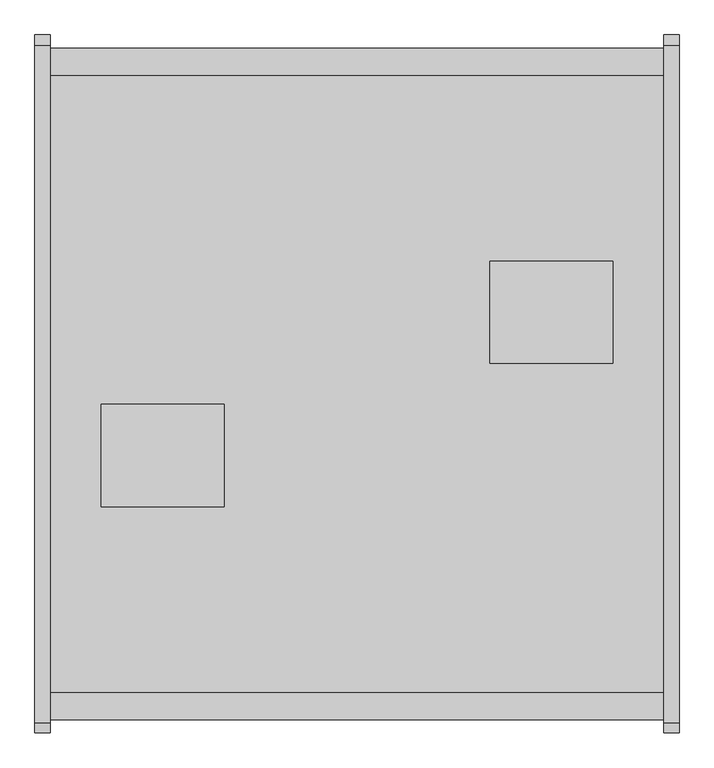
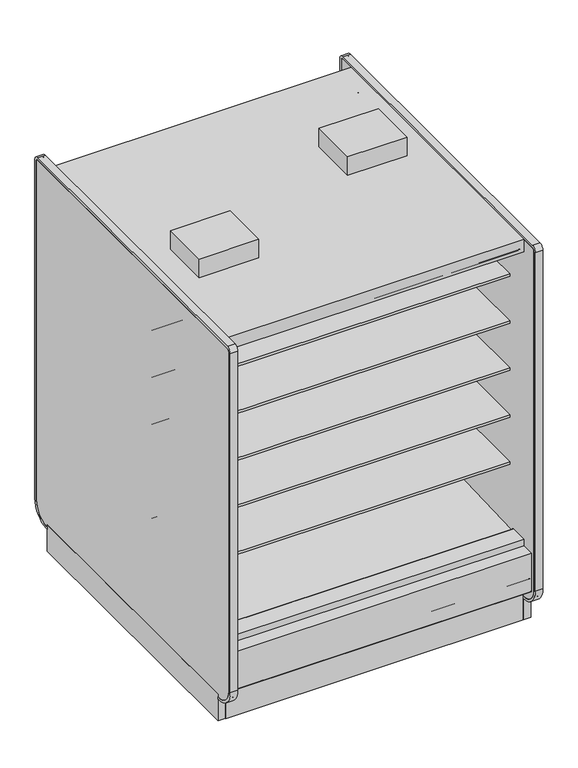
"""IFC4 building model written with IfcOpenShell, lengths in millimetres: proxy geometry."""

from ifc_helpers import new_model, si_unit, point, frame, frame_2d, origin, origin_with_axes, place, context, project, spatial, polyline, circle_curve, trimmed, segment, composite_curve, outline, extrude, source, transform, mapped, element, save
from ifc_brep_helpers import plane_surface, revolved_surface, advanced_brep


def mechanical_equipment_a14878ee(model_context):
    return source(origin(), model_context, "Body", "SolidModel", [
        extrude(outline(polyline([(0.0, -55.2269619), (0.0, 0.0), (1524.0, 0.0), (1524.0, -55.2269619), (0.0, -55.2269619)])), frame((1524.0, 269.4010876, 1960.5227388), z_axis=(0.0, -0.08121412725315148, 0.9966966767951566), x_axis=(-1.0, 0.0, 0.0)), (0.0, 0.0, 1.0), 9.7968943),
        extrude(outline(polyline([(0.0, -55.226962), (0.0, 0.0), (1524.0, 0.0), (1524.0, -55.226962), (0.0, -55.226962)])), frame((1524.0, -1070.8468716, 1965.0079483), z_axis=(0.0, 0.08121412725315148, 0.9966966767951566), x_axis=(-1.0, 0.0, 0.0)), (0.0, 0.0, 1.0), 9.7968943),
        extrude(outline(polyline([(-1113.7914467, 0.0), (-1132.0256273, 0.0), (-1132.0256273, 208.2950835), (-1113.7914467, 192.9947894), (-1113.7914467, 0.0)])), frame((0.0, 0.0, 0.0), z_axis=(1.0, 0.0, 0.0), x_axis=(0.0, 1.0, 0.0)), (0.0, 0.0, 1.0), 1524.0),
        extrude(outline(polyline([(367.3901921, 0.0), (367.3901921, 192.9947894), (385.6243727, 208.2950835), (385.6243727, 0.0), (367.3901921, 0.0)])), frame((0.0, 0.0, 0.0), z_axis=(1.0, 0.0, 0.0), x_axis=(0.0, 1.0, 0.0)), (0.0, 0.0, 1.0), 1524.0),
        extrude(outline(composite_curve([segment(polyline([(-292.5492106, 1191.008004), (-292.5492106, 1291.8182795), (266.2507894, 1291.8182795), (266.2507894, 1278.3245295), (145.7947875, 1278.3245295), (145.7947875, 1274.0402031), (-193.6128858, 1241.429713)]), True, "CONTINUOUS"), segment(trimmed(circle_curve(frame_2d((-186.7598764, 1178.3005893)), 63.5), [point((-193.6128858, 1241.429713))], [point((-226.8243495, 1227.5660741))], True, "CARTESIAN"), True, "CONTINUOUS"), segment(polyline([(-226.8243495, 1227.5660741), (-265.0460501, 1196.4828055)]), True, "CONTINUOUS"), segment(trimmed(circle_curve(frame_2d((-280.9533727, 1215.8477147)), 25.0607786), [point((-265.0460501, 1196.4828055))], [point((-281.4413184, 1190.7916869))], False, "CARTESIAN"), True, "CONTINUOUS"), segment(polyline([(-281.4413184, 1190.7916869), (-292.5492106, 1191.008004)]), True, "CONTINUOUS")], self_intersect=False)), frame((0.0, 0.0, 0.0), z_axis=(1.0, 0.0, 0.0), x_axis=(0.0, 1.0, 0.0)), (0.0, 0.0, 1.0), 1524.0),
        extrude(outline(composite_curve([segment(polyline([(-292.5492106, 1699.008004), (-292.5492106, 1799.8182795), (266.2507894, 1799.8182795), (266.2507894, 1786.3245295), (145.7947875, 1786.3245295), (145.7947875, 1782.0402031), (-193.6128858, 1749.429713)]), True, "CONTINUOUS"), segment(trimmed(circle_curve(frame_2d((-186.7598764, 1686.3005893)), 63.5), [point((-193.6128858, 1749.429713))], [point((-226.8243495, 1735.5660741))], True, "CARTESIAN"), True, "CONTINUOUS"), segment(polyline([(-226.8243495, 1735.5660741), (-265.0460501, 1704.4828055)]), True, "CONTINUOUS"), segment(trimmed(circle_curve(frame_2d((-280.9533727, 1723.8477147)), 25.0607786), [point((-265.0460501, 1704.4828055))], [point((-281.4413184, 1698.7916869))], False, "CARTESIAN"), True, "CONTINUOUS"), segment(polyline([(-281.4413184, 1698.7916869), (-292.5492106, 1699.008004)]), True, "CONTINUOUS")], self_intersect=False)), frame((0.0, 0.0, 0.0), z_axis=(1.0, 0.0, 0.0), x_axis=(0.0, 1.0, 0.0)), (0.0, 0.0, 1.0), 1524.0),
        extrude(outline(composite_curve([segment(polyline([(-292.5492106, 937.4028663), (-292.5492106, 1038.2131418), (266.2507894, 1038.2131418), (266.2507894, 1024.7193918), (145.7947875, 1024.7193918), (145.7947875, 1020.4350654), (-193.6128858, 987.8245753)]), True, "CONTINUOUS"), segment(trimmed(circle_curve(frame_2d((-186.7598764, 924.6954515)), 63.5), [point((-193.6128858, 987.8245753))], [point((-226.8243495, 973.9609363))], True, "CARTESIAN"), True, "CONTINUOUS"), segment(polyline([(-226.8243495, 973.9609363), (-265.0460501, 942.8776678)]), True, "CONTINUOUS"), segment(trimmed(circle_curve(frame_2d((-280.9533727, 962.242577)), 25.0607786), [point((-265.0460501, 942.8776678))], [point((-281.4413184, 937.1865491))], False, "CARTESIAN"), True, "CONTINUOUS"), segment(polyline([(-281.4413184, 937.1865491), (-292.5492106, 937.4028663)]), True, "CONTINUOUS")], self_intersect=False)), frame((0.0, 0.0, 0.0), z_axis=(1.0, 0.0, 0.0), x_axis=(0.0, 1.0, 0.0)), (0.0, 0.0, 1.0), 1524.0),
        extrude(outline(composite_curve([segment(polyline([(-292.5492106, 1445.008004), (-292.5492106, 1545.8182795), (266.2507894, 1545.8182795), (266.2507894, 1532.3245295), (145.7947875, 1532.3245295), (145.7947875, 1528.0402031), (-193.6128858, 1495.429713)]), True, "CONTINUOUS"), segment(trimmed(circle_curve(frame_2d((-186.7598764, 1432.3005893)), 63.5), [point((-193.6128858, 1495.429713))], [point((-226.8243495, 1481.5660741))], True, "CARTESIAN"), True, "CONTINUOUS"), segment(polyline([(-226.8243495, 1481.5660741), (-265.0460501, 1450.4828055)]), True, "CONTINUOUS"), segment(trimmed(circle_curve(frame_2d((-280.9533727, 1469.8477147)), 25.0607786), [point((-265.0460501, 1450.4828055))], [point((-281.4413184, 1444.7916869))], False, "CARTESIAN"), True, "CONTINUOUS"), segment(polyline([(-281.4413184, 1444.7916869), (-292.5492106, 1445.008004)]), True, "CONTINUOUS")], self_intersect=False)), frame((0.0, 0.0, 0.0), z_axis=(1.0, 0.0, 0.0), x_axis=(0.0, 1.0, 0.0)), (0.0, 0.0, 1.0), 1524.0),
        extrude(outline(composite_curve([segment(polyline([(-292.5492106, 683.008004), (-292.5492106, 783.8182795), (266.2507894, 783.8182795), (266.2507894, 770.3245295), (145.7947875, 770.3245295), (145.7947875, 766.0402031), (-193.6128858, 733.429713)]), True, "CONTINUOUS"), segment(trimmed(circle_curve(frame_2d((-186.7598764, 670.3005893)), 63.5), [point((-193.6128858, 733.429713))], [point((-226.8243495, 719.5660741))], True, "CARTESIAN"), True, "CONTINUOUS"), segment(polyline([(-226.8243495, 719.5660741), (-265.0460501, 688.4828055)]), True, "CONTINUOUS"), segment(trimmed(circle_curve(frame_2d((-280.9533727, 707.8477147)), 25.0607786), [point((-265.0460501, 688.4828055))], [point((-281.4413184, 682.7916869))], False, "CARTESIAN"), True, "CONTINUOUS"), segment(polyline([(-281.4413184, 682.7916869), (-292.5492106, 683.008004)]), True, "CONTINUOUS")], self_intersect=False)), frame((0.0, 0.0, 0.0), z_axis=(1.0, 0.0, 0.0), x_axis=(0.0, 1.0, 0.0)), (0.0, 0.0, 1.0), 1524.0),
        extrude(outline(composite_curve([segment(polyline([(-453.852044, 1191.008004), (-464.9599362, 1190.7916869)]), True, "CONTINUOUS"), segment(trimmed(circle_curve(frame_2d((-465.4478819, 1215.8477147)), 25.0607786), [point((-464.9599362, 1190.7916869))], [point((-481.3552045, 1196.4828055))], False, "CARTESIAN"), True, "CONTINUOUS"), segment(polyline([(-481.3552045, 1196.4828055), (-519.5769051, 1227.5660741)]), True, "CONTINUOUS"), segment(trimmed(circle_curve(frame_2d((-559.6413782, 1178.3005893)), 63.5), [point((-519.5769051, 1227.5660741))], [point((-552.7883688, 1241.429713))], True, "CARTESIAN"), True, "CONTINUOUS"), segment(polyline([(-552.7883688, 1241.429713), (-892.1960421, 1274.0402031), (-892.1960421, 1278.3245295), (-1012.652044, 1278.3245295), (-1012.652044, 1291.8182795), (-453.852044, 1291.8182795), (-453.852044, 1191.008004)]), True, "CONTINUOUS")], self_intersect=False)), frame((0.0, 0.0, 0.0), z_axis=(1.0, 0.0, 0.0), x_axis=(0.0, 1.0, 0.0)), (0.0, 0.0, 1.0), 1524.0),
        extrude(outline(composite_curve([segment(polyline([(-453.852044, 1699.008004), (-464.9599362, 1698.7916869)]), True, "CONTINUOUS"), segment(trimmed(circle_curve(frame_2d((-465.4478819, 1723.8477147)), 25.0607786), [point((-464.9599362, 1698.7916869))], [point((-481.3552045, 1704.4828055))], False, "CARTESIAN"), True, "CONTINUOUS"), segment(polyline([(-481.3552045, 1704.4828055), (-519.5769051, 1735.5660741)]), True, "CONTINUOUS"), segment(trimmed(circle_curve(frame_2d((-559.6413782, 1686.3005893)), 63.5), [point((-519.5769051, 1735.5660741))], [point((-552.7883688, 1749.429713))], True, "CARTESIAN"), True, "CONTINUOUS"), segment(polyline([(-552.7883688, 1749.429713), (-892.1960421, 1782.0402031), (-892.1960421, 1786.3245295), (-1012.652044, 1786.3245295), (-1012.652044, 1799.8182795), (-453.852044, 1799.8182795), (-453.852044, 1699.008004)]), True, "CONTINUOUS")], self_intersect=False)), frame((0.0, 0.0, 0.0), z_axis=(1.0, 0.0, 0.0), x_axis=(0.0, 1.0, 0.0)), (0.0, 0.0, 1.0), 1524.0),
        extrude(outline(composite_curve([segment(polyline([(-453.852044, 937.4028663), (-464.9599362, 937.1865491)]), True, "CONTINUOUS"), segment(trimmed(circle_curve(frame_2d((-465.4478819, 962.242577)), 25.0607786), [point((-464.9599362, 937.1865491))], [point((-481.3552045, 942.8776678))], False, "CARTESIAN"), True, "CONTINUOUS"), segment(polyline([(-481.3552045, 942.8776678), (-519.5769051, 973.9609363)]), True, "CONTINUOUS"), segment(trimmed(circle_curve(frame_2d((-559.6413782, 924.6954515)), 63.5), [point((-519.5769051, 973.9609363))], [point((-552.7883688, 987.8245753))], True, "CARTESIAN"), True, "CONTINUOUS"), segment(polyline([(-552.7883688, 987.8245753), (-892.1960421, 1020.4350654), (-892.1960421, 1024.7193918), (-1012.652044, 1024.7193918), (-1012.652044, 1038.2131418), (-453.852044, 1038.2131418), (-453.852044, 937.4028663)]), True, "CONTINUOUS")], self_intersect=False)), frame((0.0, 0.0, 0.0), z_axis=(1.0, 0.0, 0.0), x_axis=(0.0, 1.0, 0.0)), (0.0, 0.0, 1.0), 1524.0),
        extrude(outline(composite_curve([segment(polyline([(-453.852044, 1445.008004), (-464.9599362, 1444.7916869)]), True, "CONTINUOUS"), segment(trimmed(circle_curve(frame_2d((-465.4478819, 1469.8477147)), 25.0607786), [point((-464.9599362, 1444.7916869))], [point((-481.3552045, 1450.4828055))], False, "CARTESIAN"), True, "CONTINUOUS"), segment(polyline([(-481.3552045, 1450.4828055), (-519.5769051, 1481.5660741)]), True, "CONTINUOUS"), segment(trimmed(circle_curve(frame_2d((-559.6413782, 1432.3005893)), 63.5), [point((-519.5769051, 1481.5660741))], [point((-552.7883688, 1495.429713))], True, "CARTESIAN"), True, "CONTINUOUS"), segment(polyline([(-552.7883688, 1495.429713), (-892.1960421, 1528.0402031), (-892.1960421, 1532.3245295), (-1012.652044, 1532.3245295), (-1012.652044, 1545.8182795), (-453.852044, 1545.8182795), (-453.852044, 1445.008004)]), True, "CONTINUOUS")], self_intersect=False)), frame((0.0, 0.0, 0.0), z_axis=(1.0, 0.0, 0.0), x_axis=(0.0, 1.0, 0.0)), (0.0, 0.0, 1.0), 1524.0),
        extrude(outline(polyline([(127.0, -678.0076294), (127.0, -424.0076294), (431.8, -424.0076294), (431.8, -678.0076294), (127.0, -678.0076294)])), frame((0.0, 0.0, 2064.6129579), z_axis=(0.0, 0.0, 1.0), x_axis=(1.0, 0.0, 0.0)), (0.0, 0.0, 1.0), 100.3101563),
        extrude(outline(polyline([(1397.0, -68.4076294), (1397.0, -322.4076294), (1092.2, -322.4076294), (1092.2, -68.4076294), (1397.0, -68.4076294)])), frame((0.0, 0.0, 2064.6129579), z_axis=(0.0, 0.0, 1.0), x_axis=(1.0, 0.0, 0.0)), (0.0, 0.0, 1.0), 100.3101563),
        extrude(outline(composite_curve([segment(polyline([(-113.5046773, 1969.4201079), (-292.5492106, 1969.4201079), (-292.5492106, 445.9092331), (-344.0537782, 445.9092331), (-344.0537782, 1994.8201079), (357.6691327, 1994.8201079), (357.6691327, 1988.6654182)]), True, "CONTINUOUS"), segment(trimmed(circle_curve(frame_2d((355.1291327, 1988.6654182)), 2.54), [point((357.6691327, 1988.6654182))], [point((355.1291327, 1986.1254182))], False, "CARTESIAN"), True, "CONTINUOUS"), segment(polyline([(355.1291327, 1986.1254182), (341.1591327, 1986.1254182)]), True, "CONTINUOUS"), segment(trimmed(circle_curve(frame_2d((341.1591327, 1983.5854182)), 2.54), [point((341.1591327, 1986.1254182))], [point((338.6191327, 1983.5854182))], True, "CARTESIAN"), True, "CONTINUOUS"), segment(polyline([(338.6191327, 1983.5854182), (338.6191327, 1967.9723079)]), True, "CONTINUOUS"), segment(trimmed(circle_curve(frame_2d((336.0791327, 1967.9723079)), 2.54), [point((338.6191327, 1967.9723079))], [point((336.0791327, 1965.4323079))], False, "CARTESIAN"), True, "CONTINUOUS"), segment(polyline([(336.0791327, 1965.4323079), (326.8589327, 1965.4323079)]), True, "CONTINUOUS"), segment(trimmed(circle_curve(frame_2d((326.8589327, 1967.9723079)), 2.54), [point((326.8589327, 1965.4323079))], [point((324.3189327, 1967.9723079))], False, "CARTESIAN"), True, "CONTINUOUS"), segment(polyline([(324.3189327, 1967.9723079), (324.3189327, 1975.6233702), (268.3517007, 1971.0629758), (268.3793925, 1969.4201079), (-113.5046773, 1969.4201079)]), True, "CONTINUOUS")], self_intersect=False)), frame((0.0, 0.0, 0.0), z_axis=(1.0, 0.0, 0.0), x_axis=(0.0, 1.0, 0.0)), (0.0, 0.0, 1.0), 1524.0),
        extrude(outline(composite_curve([segment(polyline([(-292.5492106, 445.9092331), (298.0007894, 423.8521774), (298.0007894, 439.1279)]), True, "CONTINUOUS"), segment(trimmed(circle_curve(frame_2d((300.0581894, 439.1279)), 2.0574), [point((298.0007894, 439.1279))], [point((300.0581894, 441.1853))], False, "CARTESIAN"), True, "CONTINUOUS"), segment(polyline([(300.0581894, 441.1853), (392.3576928, 441.1853), (392.3576928, 284.6079278), (278.9642261, 189.4595117), (263.4186894, 190.0023738), (218.0664947, 157.1934642), (153.5641842, 159.4459345), (113.4809582, 192.9404113), (-344.0537782, 220.4377575), (-344.0537782, 445.9092331), (-292.5492106, 445.9092331)]), True, "CONTINUOUS")], self_intersect=False)), frame((0.0, 0.0, 0.0), z_axis=(1.0, 0.0, 0.0), x_axis=(0.0, 1.0, 0.0)), (0.0, 0.0, 1.0), 1524.0),
        extrude(outline(composite_curve([segment(polyline([(-453.852044, 683.008004), (-464.9599362, 682.7916869)]), True, "CONTINUOUS"), segment(trimmed(circle_curve(frame_2d((-465.4478819, 707.8477147)), 25.0607786), [point((-464.9599362, 682.7916869))], [point((-481.3552045, 688.4828055))], False, "CARTESIAN"), True, "CONTINUOUS"), segment(polyline([(-481.3552045, 688.4828055), (-519.5769051, 719.5660741)]), True, "CONTINUOUS"), segment(trimmed(circle_curve(frame_2d((-559.6413782, 670.3005893)), 63.5), [point((-519.5769051, 719.5660741))], [point((-552.7883688, 733.429713))], True, "CARTESIAN"), True, "CONTINUOUS"), segment(polyline([(-552.7883688, 733.429713), (-892.1960421, 766.0402031), (-892.1960421, 770.3245295), (-1012.652044, 770.3245295), (-1012.652044, 783.8182795), (-453.852044, 783.8182795), (-453.852044, 683.008004)]), True, "CONTINUOUS")], self_intersect=False)), frame((0.0, 0.0, 0.0), z_axis=(1.0, 0.0, 0.0), x_axis=(0.0, 1.0, 0.0)), (0.0, 0.0, 1.0), 1524.0),
        extrude(outline(composite_curve([segment(trimmed(circle_curve(frame_2d((-1200.2881273, 201.3982889)), 6.35), [point((-1197.1139382, 195.8985595))], [point((-1206.6381273, 201.3982889))], False, "CARTESIAN"), True, "CONTINUOUS"), segment(polyline([(-1206.6381273, 201.3982889), (-1206.6381273, 404.6728), (-1138.7589474, 404.6728), (-1138.7589474, 391.9982), (-1189.8487273, 391.9982), (-1189.8487273, 256.8144254), (-1149.7974725, 223.2074323), (-1197.1139382, 195.8985595)]), True, "CONTINUOUS")], self_intersect=False)), frame((0.0, 0.0, 0.0), z_axis=(1.0, 0.0, 0.0), x_axis=(0.0, 1.0, 0.0)), (0.0, 0.0, 1.0), 1524.0),
        extrude(outline(composite_curve([segment(polyline([(450.7126836, 195.8985595), (403.3962179, 223.2074323), (443.4474727, 256.8144254), (443.4474727, 391.9982), (392.3576928, 391.9982), (392.3576928, 404.6728), (460.2368727, 404.6728), (460.2368727, 201.3982889)]), True, "CONTINUOUS"), segment(trimmed(circle_curve(frame_2d((453.8868727, 201.3982889)), 6.35), [point((460.2368727, 201.3982889))], [point((450.7126836, 195.8985595))], False, "CARTESIAN"), True, "CONTINUOUS")], self_intersect=False)), frame((0.0, 0.0, 0.0), z_axis=(1.0, 0.0, 0.0), x_axis=(0.0, 1.0, 0.0)), (0.0, 0.0, 1.0), 1524.0),
        extrude(outline(polyline([(-1039.3495247, 130.5306), (-1189.8487273, 256.8144254), (-1189.8487273, 391.9982), (-1138.7589474, 391.9982), (-1138.7589474, 284.6079278), (-1025.3654807, 189.4595117), (-1009.819944, 190.0023738), (-964.4677493, 157.1934642), (-899.9654388, 159.4459345), (-859.8822128, 192.9404113), (-402.3474764, 220.4377575), (-402.3474764, 1994.8201079), (-1138.7589474, 1994.8201079), (-1138.7589474, 2063.8192079), (392.3576928, 2063.8192079), (392.3576928, 1994.8201079), (-344.0537782, 1994.8201079), (-344.0537782, 220.4377575), (113.4809582, 192.9404113), (153.5641842, 159.4459345), (218.0664947, 157.1934642), (263.4186894, 190.0023738), (278.9642261, 189.4595117), (392.3576928, 284.6079278), (392.3576928, 391.9982), (443.4474727, 391.9982), (443.4474727, 256.8144254), (292.9482701, 130.5306), (-1039.3495247, 130.5306)])), frame((0.0, 0.0, 0.0), z_axis=(1.0, 0.0, 0.0), x_axis=(0.0, 1.0, 0.0)), (0.0, 0.0, 1.0), 1524.0),
        extrude(outline(composite_curve([segment(polyline([(-632.8965773, 1969.4201079), (-1014.7806471, 1969.4201079), (-1014.7529553, 1971.0629758), (-1070.7201873, 1975.6233702), (-1070.7201873, 1967.9723079)]), True, "CONTINUOUS"), segment(trimmed(circle_curve(frame_2d((-1073.2601873, 1967.9723079)), 2.54), [point((-1070.7201873, 1967.9723079))], [point((-1073.2601873, 1965.4323079))], False, "CARTESIAN"), True, "CONTINUOUS"), segment(polyline([(-1073.2601873, 1965.4323079), (-1082.4803873, 1965.4323079)]), True, "CONTINUOUS"), segment(trimmed(circle_curve(frame_2d((-1082.4803873, 1967.9723079)), 2.54), [point((-1082.4803873, 1965.4323079))], [point((-1085.0203873, 1967.9723079))], False, "CARTESIAN"), True, "CONTINUOUS"), segment(polyline([(-1085.0203873, 1967.9723079), (-1085.0203873, 1983.3544856)]), True, "CONTINUOUS"), segment(trimmed(circle_curve(frame_2d((-1087.5603873, 1983.3544856)), 2.54), [point((-1085.0203873, 1983.3544856))], [point((-1087.5603873, 1985.8944856))], True, "CARTESIAN"), True, "CONTINUOUS"), segment(polyline([(-1087.5603873, 1985.8944856), (-1101.5303873, 1985.8944856)]), True, "CONTINUOUS"), segment(trimmed(circle_curve(frame_2d((-1101.5303873, 1988.4344856)), 2.54), [point((-1101.5303873, 1985.8944856))], [point((-1104.0703873, 1988.4344856))], False, "CARTESIAN"), True, "CONTINUOUS"), segment(polyline([(-1104.0703873, 1988.4344856), (-1104.0703873, 1994.8201079), (-402.3474764, 1994.8201079), (-402.3474764, 445.9092331), (-453.852044, 445.9092331), (-453.852044, 1969.4201079), (-632.8965773, 1969.4201079)]), True, "CONTINUOUS")], self_intersect=False)), frame((0.0, 0.0, 0.0), z_axis=(1.0, 0.0, 0.0), x_axis=(0.0, 1.0, 0.0)), (0.0, 0.0, 1.0), 1524.0),
        advanced_brep(
        [(1524.0, -1113.7914467, 192.9947894), (1524.0, -1113.7914467, 0.0), (1524.0, -967.2684832, 0.0), (1524.0, -967.2684832, 130.5306), (1524.0, -1039.3495247, 130.5306), (0.0, -1113.7914467, 192.9947894), (0.0, -1039.3495247, 130.5306), (0.0, -967.2684832, 130.5306), (0.0, -967.2684832, 0.0), (0.0, -1113.7914467, 0.0), (245.6409893, -1113.7914467, 0.0), (245.6409893, -1113.7914467, 50.8), (466.3154811, -1113.7914467, 50.8), (466.3154811, -1113.7914467, 0.0), (466.3154811, -1038.8597182, 0.0), (245.6409893, -1038.8597182, 0.0), (721.6679654, -967.2684832, 0.0), (802.3320346, -967.2684832, 0.0), (1260.7614416, -967.2684832, 0.0), (1345.9135584, -967.2684832, 0.0), (1345.9135584, -967.2684832, 127.0), (1260.7614416, -967.2684832, 127.0), (802.3320346, -967.2684832, 127.0), (721.6679654, -967.2684832, 127.0), (466.3154811, -1038.8597182, 50.8), (245.6409893, -1038.8597182, 50.8)],
        [
            (0, 1),
            (1, 2),
            (2, 3),
            (3, 4),
            (4, 0),
            (5, 6),
            (6, 7),
            (7, 8),
            (8, 9),
            (9, 5),
            (0, 5),
            (9, 10),
            (10, 11),
            (11, 12),
            (12, 13),
            (13, 1),
            (13, 14),
            (14, 15),
            (15, 10),
            (8, 16),
            (16, 17, circle_curve(frame((762.0, -936.3821273, 0.0), z_axis=(0.0, 0.0, 1.0), x_axis=(1.0, 0.0, 0.0)), 50.8)),
            (17, 18),
            (18, 19, circle_curve(frame((1303.3375, -939.5571273, 0.0), z_axis=(0.0, 0.0, 1.0), x_axis=(1.0, 0.0, 0.0)), 50.8)),
            (19, 2),
            (19, 20),
            (20, 21),
            (21, 18),
            (17, 22),
            (22, 23),
            (23, 16),
            (7, 3),
            (6, 4),
            (12, 24),
            (24, 14),
            (15, 25),
            (25, 11),
            (24, 25),
            (22, 23, circle_curve(frame((762.0, -936.3821273, 127.0), z_axis=(0.0, 0.0, -1.0), x_axis=(1.0, 0.0, 0.0)), 50.8)),
            (20, 21, circle_curve(frame((1303.3375, -939.5571273, 127.0), z_axis=(0.0, 0.0, -1.0), x_axis=(1.0, 0.0, 0.0)), 50.8)),
        ],
        [
            plane_surface(frame((1524.0, -1113.7914467, 0.0), z_axis=(1.0, 0.0, 0.0), x_axis=(0.0, 0.0, -1.0))),
            plane_surface(frame((0.0, -1113.7914467, 0.0), z_axis=(-1.0, 0.0, 0.0), x_axis=(0.0, 0.0, 1.0))),
            plane_surface(frame((1524.0, -1113.7914467, 192.9947894), z_axis=(0.0, -1.0, 0.0), x_axis=(-1.0, 0.0, 0.0))),
            plane_surface(frame((1524.0, -1113.7914467, 0.0), z_axis=(0.0, 0.0, -1.0), x_axis=(-1.0, 0.0, 0.0))),
            plane_surface(frame((1524.0, -967.2684832, 0.0), z_axis=(0.0, 1.0, 0.0), x_axis=(-1.0, 0.0, 0.0))),
            plane_surface(frame((1524.0, -967.2684832, 130.5306), z_axis=(0.0, 0.0, 1.0), x_axis=(-1.0, 0.0, 0.0))),
            plane_surface(frame((1524.0, -1039.3495247, 130.5306), z_axis=(0.0, 0.6427876096877102, 0.7660444431179956), x_axis=(-1.0, 0.0, 0.0))),
            plane_surface(frame((466.3154811, -1038.8597182, 0.0), z_axis=(-1.0, 0.0, 0.0), x_axis=(0.0, 1.0, 0.0))),
            plane_surface(frame((245.6409893, -1038.8597182, 0.0), z_axis=(1.0, 0.0, 0.0), x_axis=(0.0, -1.0, 0.0))),
            plane_surface(frame((466.3154811, -1038.8597182, 0.0), z_axis=(0.0, -1.0, 0.0), x_axis=(-1.0, 0.0, 0.0))),
            plane_surface(frame((466.3154811, -1038.8597182, 50.8), z_axis=(0.0, 0.0, -1.0), x_axis=(-1.0, 0.0, 0.0))),
            plane_surface(frame((812.8, -936.3821273, 127.0), z_axis=(0.0, 0.0, -1.0), x_axis=(0.0, 1.0, 0.0))),
            revolved_surface(polyline([(812.8, -936.3821273, 127.0), (812.8, -936.3821273, 0.0)]), (762.0, -936.3821273, 0.0), (0.0, 0.0, 1.0)),
            plane_surface(frame((1354.1375, -939.5571273, 127.0), z_axis=(0.0, 0.0, -1.0), x_axis=(0.0, 1.0, 0.0))),
            revolved_surface(polyline([(1354.1375, -939.5571273, 127.0), (1354.1375, -939.5571273, 0.0)]), (1303.3375, -939.5571273, 0.0), (0.0, 0.0, 1.0)),
        ],
        [
            (0, [[1, 2, 3, 4, 5]]),
            (1, [[6, 7, 8, 9, 10]]),
            (2, [[-1, 11, -10, 12, 13, 14, 15, 16]]),
            (3, [[-2, -16, 17, 18, 19, -12, -9, 20, 21, 22, 23, 24]]),
            (4, [[-3, -24, 25, 26, 27, -22, 28, 29, 30, -20, -8, 31]]),
            (5, [[-4, -31, -7, 32]]),
            (6, [[-5, -32, -6, -11]]),
            (7, [[33, 34, -17, -15]]),
            (8, [[35, 36, -13, -19]]),
            (9, [[-34, 37, -35, -18]]),
            (10, [[-33, -14, -36, -37]]),
            (11, [[38, -29]]),
            (12, [[-38, -28, -21, -30]]),
            (13, [[39, -26]]),
            (14, [[-39, -25, -23, -27]]),
        ],
    ),
        advanced_brep(
        [(1524.0, 367.3901921, 192.9947894), (1524.0, 292.9482701, 130.5306), (1524.0, 220.8672286, 130.5306), (1524.0, 220.8672286, 0.0), (1524.0, 367.3901921, 0.0), (0.0, 367.3901921, 192.9947894), (0.0, 367.3901921, 0.0), (0.0, 220.8672286, 0.0), (0.0, 220.8672286, 130.5306), (0.0, 292.9482701, 130.5306), (1278.3590107, 367.3901921, 50.8), (1278.3590107, 292.4584636, 50.8), (1057.6845189, 292.4584636, 50.8), (1057.6845189, 367.3901921, 50.8), (1057.6845189, 292.4584636, 0.0), (1057.6845189, 367.3901921, 0.0), (1278.3590107, 292.4584636, 0.0), (1278.3590107, 367.3901921, 0.0), (178.0864416, 220.8672286, 127.0), (263.2385584, 220.8672286, 127.0), (178.0864416, 220.8672286, 0.0), (263.2385584, 220.8672286, 0.0), (721.6679654, 220.8672286, 127.0), (802.3320346, 220.8672286, 127.0), (721.6679654, 220.8672286, 0.0), (802.3320346, 220.8672286, 0.0)],
        [
            (0, 1),
            (1, 2),
            (2, 3),
            (3, 4),
            (4, 0),
            (5, 6),
            (6, 7),
            (7, 8),
            (8, 9),
            (9, 5),
            (10, 11),
            (11, 12),
            (12, 13),
            (13, 10),
            (12, 14),
            (14, 15),
            (15, 13),
            (11, 16),
            (16, 14),
            (10, 17),
            (17, 16),
            (18, 19, circle_curve(frame((220.6625, 193.1558727, 127.0), z_axis=(0.0, 0.0, -1.0), x_axis=(-1.0, 0.0, 0.0)), 50.8)),
            (19, 18),
            (18, 20),
            (20, 21, circle_curve(frame((220.6625, 193.1558727, 0.0), z_axis=(0.0, 0.0, -1.0), x_axis=(-1.0, 0.0, 0.0)), 50.8)),
            (21, 19),
            (22, 23, circle_curve(frame((762.0, 189.9808727, 127.0), z_axis=(0.0, 0.0, -1.0), x_axis=(1.0, 0.0, 0.0)), 50.8)),
            (23, 22),
            (22, 24),
            (24, 25, circle_curve(frame((762.0, 189.9808727, 0.0), z_axis=(0.0, 0.0, -1.0), x_axis=(1.0, 0.0, 0.0)), 50.8)),
            (25, 23),
            (0, 5),
            (9, 1),
            (8, 2),
            (7, 20),
            (21, 24),
            (25, 3),
            (6, 15),
            (17, 4),
        ],
        [
            plane_surface(frame((1524.0, -1113.7914467, 0.0), z_axis=(1.0, 0.0, 0.0), x_axis=(0.0, 0.0, -1.0))),
            plane_surface(frame((0.0, -1113.7914467, 0.0), z_axis=(-1.0, 0.0, 0.0), x_axis=(0.0, 0.0, 1.0))),
            plane_surface(frame((1057.6845189, 367.3901921, 50.8), z_axis=(0.0, 0.0, -1.0), x_axis=(0.0, -1.0, 0.0))),
            plane_surface(frame((1057.6845189, 367.3901921, 50.8), z_axis=(1.0, 0.0, 0.0), x_axis=(0.0, 0.0, -1.0))),
            plane_surface(frame((1057.6845189, 292.4584636, 50.8), z_axis=(0.0, 1.0, 0.0), x_axis=(0.0, 0.0, -1.0))),
            plane_surface(frame((1278.3590107, 292.4584636, 50.8), z_axis=(-1.0, 0.0, 0.0), x_axis=(0.0, 0.0, -1.0))),
            plane_surface(frame((169.8625, 193.1558727, 127.0), z_axis=(0.0, 0.0, -1.0), x_axis=(0.0, -1.0, 0.0))),
            revolved_surface(polyline([(169.8625, 193.1558727, 127.0), (169.8625, 193.1558727, 0.0)]), (220.6625, 193.1558727, 0.0), (0.0, 0.0, 1.0)),
            plane_surface(frame((812.8, 189.9808727, 127.0), z_axis=(0.0, 0.0, -1.0), x_axis=(0.0, 1.0, 0.0))),
            revolved_surface(polyline([(812.8, 189.9808727, 127.0), (812.8, 189.9808727, 0.0)]), (762.0, 189.9808727, 0.0), (0.0, 0.0, 1.0)),
            plane_surface(frame((1524.0, 367.3901921, 192.9947894), z_axis=(0.0, -0.6427876096877103, 0.7660444431179955), x_axis=(-1.0, 0.0, 0.0))),
            plane_surface(frame((1524.0, 292.9482701, 130.5306), z_axis=(0.0, 0.0, 1.0), x_axis=(-1.0, 0.0, 0.0))),
            plane_surface(frame((1524.0, 220.8672286, 130.5306), z_axis=(0.0, -1.0, 0.0), x_axis=(-1.0, 0.0, 0.0))),
            plane_surface(frame((1524.0, 220.8672286, 0.0), z_axis=(0.0, 0.0, -1.0), x_axis=(-1.0, 0.0, 0.0))),
            plane_surface(frame((1524.0, 367.3901921, 0.0), z_axis=(0.0, 1.0, 0.0), x_axis=(-1.0, 0.0, 0.0))),
        ],
        [
            (0, [[1, 2, 3, 4, 5]]),
            (1, [[6, 7, 8, 9, 10]]),
            (2, [[11, 12, 13, 14]]),
            (3, [[-13, 15, 16, 17]]),
            (4, [[-12, 18, 19, -15]]),
            (5, [[-11, 20, 21, -18]]),
            (6, [[22, 23]]),
            (7, [[-22, 24, 25, 26]]),
            (8, [[27, 28]]),
            (9, [[-27, 29, 30, 31]]),
            (10, [[-1, 32, -10, 33]]),
            (11, [[-2, -33, -9, 34]]),
            (12, [[-3, -34, -8, 35, -24, -23, -26, 36, -29, -28, -31, 37]]),
            (13, [[-4, -37, -30, -36, -25, -35, -7, 38, -16, -19, -21, 39]]),
            (14, [[-5, -39, -20, -14, -17, -38, -6, -32]]),
        ],
    ),
        advanced_brep(
        [(1524.0, -967.2684832, 0.0), (1524.0, -921.3326273, 0.0), (1524.0, -921.3326273, 74.8810382), (1524.0, 174.9313727, 74.8810382), (1524.0, 174.9313727, 0.0), (1524.0, 220.8672286, 0.0), (1524.0, 220.8672286, 130.5306), (1524.0, -967.2684832, 130.5306), (0.0, -967.2684832, 0.0), (0.0, -967.2684832, 130.5306), (0.0, 220.8672286, 130.5306), (0.0, 220.8672286, 0.0), (0.0, 174.9313727, 0.0), (0.0, 174.9313727, 74.8810382), (0.0, -921.3326273, 74.8810382), (0.0, -921.3326273, 0.0), (721.6679654, -967.2684832, 0.0), (721.6679654, -967.2684832, 127.0), (802.3320346, -967.2684832, 127.0), (802.3320346, -967.2684832, 0.0), (1260.7614416, -967.2684832, 0.0), (1260.7614416, -967.2684832, 127.0), (1345.9135584, -967.2684832, 127.0), (1345.9135584, -967.2684832, 0.0), (1354.1375, -939.5571273, 0.0), (1350.755931, -921.3326273, 0.0), (713.48039, -921.3326273, 0.0), (711.2, -936.3821273, 0.0), (812.8, -936.3821273, 0.0), (810.51961, -921.3326273, 0.0), (1255.919069, -921.3326273, 0.0), (1252.5375, -939.5571273, 0.0), (1350.755931, -921.3326273, 74.8810382), (713.48039, -921.3326273, 74.8810382), (810.51961, -921.3326273, 74.8810382), (1255.919069, -921.3326273, 74.8810382), (173.244069, 174.9313727, 74.8810382), (268.080931, 174.9313727, 74.8810382), (713.48039, 174.9313727, 74.8810382), (810.51961, 174.9313727, 74.8810382), (711.2, -936.3821273, 127.0), (812.8, -936.3821273, 127.0), (1252.5375, -939.5571273, 127.0), (1354.1375, -939.5571273, 127.0), (810.51961, 174.9313727, 0.0), (173.244069, 174.9313727, 0.0), (268.080931, 174.9313727, 0.0), (713.48039, 174.9313727, 0.0), (812.8, 189.9808727, 0.0), (802.3320346, 220.8672286, 0.0), (178.0864416, 220.8672286, 0.0), (169.8625, 193.1558727, 0.0), (271.4625, 193.1558727, 0.0), (263.2385584, 220.8672286, 0.0), (721.6679654, 220.8672286, 0.0), (711.2, 189.9808727, 0.0), (802.3320346, 220.8672286, 127.0), (721.6679654, 220.8672286, 127.0), (263.2385584, 220.8672286, 127.0), (178.0864416, 220.8672286, 127.0), (271.4625, 193.1558727, 127.0), (169.8625, 193.1558727, 127.0), (812.8, 189.9808727, 127.0), (711.2, 189.9808727, 127.0)],
        [
            (0, 1),
            (1, 2),
            (2, 3),
            (3, 4),
            (4, 5),
            (5, 6),
            (6, 7),
            (7, 0),
            (8, 9),
            (9, 10),
            (10, 11),
            (11, 12),
            (12, 13),
            (13, 14),
            (14, 15),
            (15, 8),
            (6, 10),
            (9, 7),
            (8, 16),
            (16, 17),
            (17, 18),
            (18, 19),
            (19, 20),
            (20, 21),
            (21, 22),
            (22, 23),
            (23, 0),
            (23, 24, circle_curve(frame((1303.3375, -939.5571273, 0.0), z_axis=(0.0, 0.0, 1.0), x_axis=(1.0, 0.0, 0.0)), 50.8)),
            (24, 25, circle_curve(frame((1303.3375, -939.5571273, 0.0), z_axis=(0.0, 0.0, 1.0), x_axis=(1.0, 0.0, 0.0)), 50.8)),
            (25, 1),
            (15, 26),
            (26, 27, circle_curve(frame((762.0, -936.3821273, 0.0), z_axis=(0.0, 0.0, 1.0), x_axis=(1.0, 0.0, 0.0)), 50.8)),
            (27, 16, circle_curve(frame((762.0, -936.3821273, 0.0), z_axis=(0.0, 0.0, 1.0), x_axis=(1.0, 0.0, 0.0)), 50.8)),
            (19, 28, circle_curve(frame((762.0, -936.3821273, 0.0), z_axis=(0.0, 0.0, 1.0), x_axis=(1.0, 0.0, 0.0)), 50.8)),
            (28, 29, circle_curve(frame((762.0, -936.3821273, 0.0), z_axis=(0.0, 0.0, 1.0), x_axis=(1.0, 0.0, 0.0)), 50.8)),
            (29, 30),
            (30, 31, circle_curve(frame((1303.3375, -939.5571273, 0.0), z_axis=(0.0, 0.0, 1.0), x_axis=(1.0, 0.0, 0.0)), 50.8)),
            (31, 20, circle_curve(frame((1303.3375, -939.5571273, 0.0), z_axis=(0.0, 0.0, 1.0), x_axis=(1.0, 0.0, 0.0)), 50.8)),
            (25, 32),
            (32, 2),
            (14, 33),
            (33, 26),
            (29, 34),
            (34, 35),
            (35, 30),
            (32, 35, circle_curve(frame((1303.3375, -939.5571273, 74.8810382), z_axis=(0.0, 0.0, 1.0), x_axis=(1.0, 0.0, 0.0)), 50.8)),
            (34, 33, circle_curve(frame((762.0, -936.3821273, 74.8810382), z_axis=(0.0, 0.0, 1.0), x_axis=(1.0, 0.0, 0.0)), 50.8)),
            (13, 36),
            (36, 37, circle_curve(frame((220.6625, 193.1558727, 74.8810382), z_axis=(0.0, 0.0, 1.0), x_axis=(-1.0, 0.0, 0.0)), 50.8)),
            (37, 38),
            (38, 39, circle_curve(frame((762.0, 189.9808727, 74.8810382), z_axis=(0.0, 0.0, 1.0), x_axis=(1.0, 0.0, 0.0)), 50.8)),
            (39, 3),
            (40, 41, circle_curve(frame((762.0, -936.3821273, 127.0), z_axis=(0.0, 0.0, -1.0), x_axis=(1.0, 0.0, 0.0)), 50.8)),
            (41, 18, circle_curve(frame((762.0, -936.3821273, 127.0), z_axis=(0.0, 0.0, -1.0), x_axis=(1.0, 0.0, 0.0)), 50.8)),
            (17, 40, circle_curve(frame((762.0, -936.3821273, 127.0), z_axis=(0.0, 0.0, -1.0), x_axis=(1.0, 0.0, 0.0)), 50.8)),
            (41, 28),
            (27, 40),
            (42, 43, circle_curve(frame((1303.3375, -939.5571273, 127.0), z_axis=(0.0, 0.0, -1.0), x_axis=(1.0, 0.0, 0.0)), 50.8)),
            (43, 22, circle_curve(frame((1303.3375, -939.5571273, 127.0), z_axis=(0.0, 0.0, -1.0), x_axis=(1.0, 0.0, 0.0)), 50.8)),
            (21, 42, circle_curve(frame((1303.3375, -939.5571273, 127.0), z_axis=(0.0, 0.0, -1.0), x_axis=(1.0, 0.0, 0.0)), 50.8)),
            (43, 24),
            (31, 42),
            (39, 44),
            (44, 4),
            (12, 45),
            (45, 36),
            (37, 46),
            (46, 47),
            (47, 38),
            (44, 48, circle_curve(frame((762.0, 189.9808727, 0.0), z_axis=(0.0, 0.0, 1.0), x_axis=(1.0, 0.0, 0.0)), 50.8)),
            (48, 49, circle_curve(frame((762.0, 189.9808727, 0.0), z_axis=(0.0, 0.0, 1.0), x_axis=(1.0, 0.0, 0.0)), 50.8)),
            (49, 5),
            (11, 50),
            (50, 51, circle_curve(frame((220.6625, 193.1558727, 0.0), z_axis=(0.0, 0.0, 1.0), x_axis=(-1.0, 0.0, 0.0)), 50.8)),
            (51, 45, circle_curve(frame((220.6625, 193.1558727, 0.0), z_axis=(0.0, 0.0, 1.0), x_axis=(-1.0, 0.0, 0.0)), 50.8)),
            (52, 53, circle_curve(frame((220.6625, 193.1558727, 0.0), z_axis=(0.0, 0.0, 1.0), x_axis=(-1.0, 0.0, 0.0)), 50.8)),
            (53, 54),
            (54, 55, circle_curve(frame((762.0, 189.9808727, 0.0), z_axis=(0.0, 0.0, 1.0), x_axis=(1.0, 0.0, 0.0)), 50.8)),
            (55, 47, circle_curve(frame((762.0, 189.9808727, 0.0), z_axis=(0.0, 0.0, 1.0), x_axis=(1.0, 0.0, 0.0)), 50.8)),
            (46, 52, circle_curve(frame((220.6625, 193.1558727, 0.0), z_axis=(0.0, 0.0, 1.0), x_axis=(-1.0, 0.0, 0.0)), 50.8)),
            (49, 56),
            (56, 57),
            (57, 54),
            (53, 58),
            (58, 59),
            (59, 50),
            (60, 61, circle_curve(frame((220.6625, 193.1558727, 127.0), z_axis=(0.0, 0.0, -1.0), x_axis=(-1.0, 0.0, 0.0)), 50.8)),
            (61, 59, circle_curve(frame((220.6625, 193.1558727, 127.0), z_axis=(0.0, 0.0, -1.0), x_axis=(-1.0, 0.0, 0.0)), 50.8)),
            (58, 60, circle_curve(frame((220.6625, 193.1558727, 127.0), z_axis=(0.0, 0.0, -1.0), x_axis=(-1.0, 0.0, 0.0)), 50.8)),
            (52, 60),
            (61, 51),
            (62, 63, circle_curve(frame((762.0, 189.9808727, 127.0), z_axis=(0.0, 0.0, -1.0), x_axis=(1.0, 0.0, 0.0)), 50.8)),
            (63, 57, circle_curve(frame((762.0, 189.9808727, 127.0), z_axis=(0.0, 0.0, -1.0), x_axis=(1.0, 0.0, 0.0)), 50.8)),
            (56, 62, circle_curve(frame((762.0, 189.9808727, 127.0), z_axis=(0.0, 0.0, -1.0), x_axis=(1.0, 0.0, 0.0)), 50.8)),
            (48, 62),
            (63, 55),
        ],
        [
            plane_surface(frame((1524.0, -921.3326273, 0.0), z_axis=(1.0, 0.0, 0.0), x_axis=(0.0, 1.0, 0.0))),
            plane_surface(frame((0.0, -921.3326273, 0.0), z_axis=(-1.0, 0.0, 0.0), x_axis=(0.0, -1.0, 0.0))),
            plane_surface(frame((1524.0, 220.8672286, 130.5306), z_axis=(0.0, 0.0, 1.0), x_axis=(-1.0, 0.0, 0.0))),
            plane_surface(frame((1524.0, -967.2684832, 130.5306), z_axis=(0.0, -1.0, 0.0), x_axis=(-1.0, 0.0, 0.0))),
            plane_surface(frame((1524.0, -967.2684832, 0.0), z_axis=(0.0, 0.0, -1.0), x_axis=(-1.0, 0.0, 0.0))),
            plane_surface(frame((1524.0, -921.3326273, 0.0), z_axis=(0.0, 1.0, 0.0), x_axis=(-1.0, 0.0, 0.0))),
            plane_surface(frame((1524.0, -921.3326273, 74.8810382), z_axis=(0.0, 0.0, -1.0), x_axis=(-1.0, 0.0, 0.0))),
            plane_surface(frame((812.8, -936.3821273, 127.0), z_axis=(0.0, 0.0, -1.0), x_axis=(0.0, 1.0, 0.0))),
            revolved_surface(polyline([(812.8, -936.3821273, 127.0), (812.8, -936.3821273, 0.0)]), (762.0, -936.3821273, 0.0), (0.0, 0.0, 1.0)),
            plane_surface(frame((1354.1375, -939.5571273, 127.0), z_axis=(0.0, 0.0, -1.0), x_axis=(0.0, 1.0, 0.0))),
            revolved_surface(polyline([(1354.1375, -939.5571273, 127.0), (1354.1375, -939.5571273, 0.0)]), (1303.3375, -939.5571273, 0.0), (0.0, 0.0, 1.0)),
            plane_surface(frame((1524.0, 174.9313727, 74.8810382), z_axis=(0.0, -1.0, 0.0), x_axis=(-1.0, 0.0, 0.0))),
            plane_surface(frame((1524.0, 174.9313727, 0.0), z_axis=(0.0, 0.0, -1.0), x_axis=(-1.0, 0.0, 0.0))),
            plane_surface(frame((1524.0, 220.8672286, 0.0), z_axis=(0.0, 1.0, 0.0), x_axis=(-1.0, 0.0, 0.0))),
            plane_surface(frame((169.8625, 193.1558727, 127.0), z_axis=(0.0, 0.0, -1.0), x_axis=(0.0, -1.0, 0.0))),
            revolved_surface(polyline([(169.8625, 193.1558727, 127.0), (169.8625, 193.1558727, 0.0)]), (220.6625, 193.1558727, 0.0), (0.0, 0.0, 1.0)),
            plane_surface(frame((812.8, 189.9808727, 127.0), z_axis=(0.0, 0.0, -1.0), x_axis=(0.0, 1.0, 0.0))),
            revolved_surface(polyline([(812.8, 189.9808727, 127.0), (812.8, 189.9808727, 0.0)]), (762.0, 189.9808727, 0.0), (0.0, 0.0, 1.0)),
        ],
        [
            (0, [[1, 2, 3, 4, 5, 6, 7, 8]]),
            (1, [[9, 10, 11, 12, 13, 14, 15, 16]]),
            (2, [[-7, 17, -10, 18]]),
            (3, [[-8, -18, -9, 19, 20, 21, 22, 23, 24, 25, 26, 27]]),
            (4, [[-1, -27, 28, 29, 30]]),
            (4, [[-16, 31, 32, 33, -19]]),
            (4, [[34, 35, 36, 37, 38, -23]]),
            (5, [[-2, -30, 39, 40]]),
            (5, [[-15, 41, 42, -31]]),
            (5, [[43, 44, 45, -36]]),
            (6, [[-3, -40, 46, -44, 47, -41, -14, 48, 49, 50, 51, 52]]),
            (7, [[53, 54, -21, 55]]),
            (8, [[56, -34, -22, -54]]),
            (8, [[57, -55, -20, -33]]),
            (8, [[-53, -57, -32, -42, -47, -43, -35, -56]]),
            (9, [[58, 59, -25, 60]]),
            (10, [[61, -28, -26, -59]]),
            (10, [[62, -60, -24, -38]]),
            (10, [[-58, -62, -37, -45, -46, -39, -29, -61]]),
            (11, [[-4, -52, 63, 64]]),
            (11, [[-13, 65, 66, -48]]),
            (11, [[67, 68, 69, -50]]),
            (12, [[-5, -64, 70, 71, 72]]),
            (12, [[-12, 73, 74, 75, -65]]),
            (12, [[76, 77, 78, 79, -68, 80]]),
            (13, [[-6, -72, 81, 82, 83, -77, 84, 85, 86, -73, -11, -17]]),
            (14, [[87, 88, -85, 89]]),
            (15, [[90, -89, -84, -76]]),
            (15, [[91, -74, -86, -88]]),
            (15, [[-87, -90, -80, -67, -49, -66, -75, -91]]),
            (16, [[92, 93, -82, 94]]),
            (17, [[95, -94, -81, -71]]),
            (17, [[96, -78, -83, -93]]),
            (17, [[-92, -95, -70, -63, -51, -69, -79, -96]]),
        ],
    ),
        extrude(outline(composite_curve([segment(polyline([(-453.852044, 445.9092331), (-402.3474764, 445.9092331), (-402.3474764, 220.4377575), (-859.8822128, 192.9404113), (-899.9654388, 159.4459345), (-964.4677493, 157.1934642), (-1009.819944, 190.0023738), (-1025.3654807, 189.4595117), (-1138.7589474, 284.6079278), (-1138.7589474, 441.1853), (-1046.459444, 441.1853)]), True, "CONTINUOUS"), segment(trimmed(circle_curve(frame_2d((-1046.459444, 439.1279)), 2.0574), [point((-1046.459444, 441.1853))], [point((-1044.402044, 439.1279))], False, "CARTESIAN"), True, "CONTINUOUS"), segment(polyline([(-1044.402044, 439.1279), (-1044.402044, 423.8521774), (-453.852044, 445.9092331)]), True, "CONTINUOUS")], self_intersect=False)), frame((0.0, 0.0, 0.0), z_axis=(1.0, 0.0, 0.0), x_axis=(0.0, 1.0, 0.0)), (0.0, 0.0, 1.0), 1524.0),
        extrude(outline(composite_curve([segment(polyline([(-1239.5946273, 219.4306), (-1239.5946273, 2051.05)]), True, "CONTINUOUS"), segment(trimmed(circle_curve(frame_2d((-1214.1946273, 2051.05)), 25.4), [point((-1239.5946273, 2051.05))], [point((-1214.1946273, 2076.45))], False, "CARTESIAN"), True, "CONTINUOUS"), segment(polyline([(-1214.1946273, 2076.45), (467.7933727, 2076.45)]), True, "CONTINUOUS"), segment(trimmed(circle_curve(frame_2d((467.7933727, 2051.05)), 25.4), [point((467.7933727, 2076.45))], [point((493.1933727, 2051.05))], False, "CARTESIAN"), True, "CONTINUOUS"), segment(polyline([(493.1933727, 2051.05), (493.1933727, 219.4306)]), True, "CONTINUOUS"), segment(trimmed(circle_curve(frame_2d((391.5933727, 219.4306)), 101.6), [point((493.1933727, 219.4306))], [point((391.5933727, 117.8306))], False, "CARTESIAN"), True, "CONTINUOUS"), segment(polyline([(391.5933727, 117.8306), (385.6243727, 117.8306), (385.6243727, 130.5306), (391.5933727, 130.5306)]), True, "CONTINUOUS"), segment(trimmed(circle_curve(frame_2d((391.5933727, 219.4306)), 88.9), [point((391.5933727, 130.5306))], [point((480.4933727, 219.4306))], True, "CARTESIAN"), True, "CONTINUOUS"), segment(polyline([(480.4933727, 219.4306), (480.4933727, 2051.05)]), True, "CONTINUOUS"), segment(trimmed(circle_curve(frame_2d((467.7933727, 2051.05)), 12.7), [point((480.4933727, 2051.05))], [point((467.7933727, 2063.75))], True, "CARTESIAN"), True, "CONTINUOUS"), segment(polyline([(467.7933727, 2063.75), (-1214.1946273, 2063.75)]), True, "CONTINUOUS"), segment(trimmed(circle_curve(frame_2d((-1214.1946273, 2051.05)), 12.7), [point((-1214.1946273, 2063.75))], [point((-1226.8946273, 2051.05))], True, "CARTESIAN"), True, "CONTINUOUS"), segment(polyline([(-1226.8946273, 2051.05), (-1226.8946273, 219.4306)]), True, "CONTINUOUS"), segment(trimmed(circle_curve(frame_2d((-1137.9946273, 219.4306)), 88.9), [point((-1226.8946273, 219.4306))], [point((-1137.9946273, 130.5306))], True, "CARTESIAN"), True, "CONTINUOUS"), segment(polyline([(-1137.9946273, 130.5306), (-1132.0256273, 130.5306), (-1132.0256273, 117.8306), (-1137.9946273, 117.8306)]), True, "CONTINUOUS"), segment(trimmed(circle_curve(frame_2d((-1137.9946273, 219.4306)), 101.6), [point((-1137.9946273, 117.8306))], [point((-1239.5946273, 219.4306))], False, "CARTESIAN"), True, "CONTINUOUS")], self_intersect=False)), frame((1524.0, 0.0, 0.0), z_axis=(1.0, 0.0, 0.0), x_axis=(0.0, 1.0, 0.0)), (0.0, 0.0, 1.0), 38.1),
        extrude(outline(polyline([(1562.1, 385.6243727), (1562.1, -1132.0256273), (1524.0, -1132.0256273), (1524.0, 385.6243727), (1562.1, 385.6243727)])), origin_with_axes(), (0.0, 0.0, 1.0), 130.5306),
        extrude(outline(composite_curve([segment(polyline([(-1214.1946273, 2063.75), (467.7933727, 2063.75)]), True, "CONTINUOUS"), segment(trimmed(circle_curve(frame_2d((467.7933727, 2051.05)), 12.7), [point((467.7933727, 2063.75))], [point((480.4933727, 2051.05))], False, "CARTESIAN"), True, "CONTINUOUS"), segment(polyline([(480.4933727, 2051.05), (480.4933727, 219.4306)]), True, "CONTINUOUS"), segment(trimmed(circle_curve(frame_2d((391.5933727, 219.4306)), 88.9), [point((480.4933727, 219.4306))], [point((391.5933727, 130.5306))], False, "CARTESIAN"), True, "CONTINUOUS"), segment(polyline([(391.5933727, 130.5306), (-1137.9946273, 130.5306)]), True, "CONTINUOUS"), segment(trimmed(circle_curve(frame_2d((-1137.9946273, 219.4306)), 88.9), [point((-1137.9946273, 130.5306))], [point((-1226.8946273, 219.4306))], False, "CARTESIAN"), True, "CONTINUOUS"), segment(polyline([(-1226.8946273, 219.4306), (-1226.8946273, 2051.05)]), True, "CONTINUOUS"), segment(trimmed(circle_curve(frame_2d((-1214.1946273, 2051.05)), 12.7), [point((-1226.8946273, 2051.05))], [point((-1214.1946273, 2063.75))], False, "CARTESIAN"), True, "CONTINUOUS")], self_intersect=False)), frame((1524.0, 0.0, 0.0), z_axis=(1.0, 0.0, 0.0), x_axis=(0.0, 1.0, 0.0)), (0.0, 0.0, 1.0), 38.1),
        extrude(outline(composite_curve([segment(polyline([(-1239.5946273, 219.4306), (-1239.5946273, 2051.05)]), True, "CONTINUOUS"), segment(trimmed(circle_curve(frame_2d((-1214.1946273, 2051.05)), 25.4), [point((-1239.5946273, 2051.05))], [point((-1214.1946273, 2076.45))], False, "CARTESIAN"), True, "CONTINUOUS"), segment(polyline([(-1214.1946273, 2076.45), (467.7933727, 2076.45)]), True, "CONTINUOUS"), segment(trimmed(circle_curve(frame_2d((467.7933727, 2051.05)), 25.4), [point((467.7933727, 2076.45))], [point((493.1933727, 2051.05))], False, "CARTESIAN"), True, "CONTINUOUS"), segment(polyline([(493.1933727, 2051.05), (493.1933727, 219.4306)]), True, "CONTINUOUS"), segment(trimmed(circle_curve(frame_2d((391.5933727, 219.4306)), 101.6), [point((493.1933727, 219.4306))], [point((391.5933727, 117.8306))], False, "CARTESIAN"), True, "CONTINUOUS"), segment(polyline([(391.5933727, 117.8306), (385.6243727, 117.8306), (385.6243727, 130.5306), (391.5933727, 130.5306)]), True, "CONTINUOUS"), segment(trimmed(circle_curve(frame_2d((391.5933727, 219.4306)), 88.9), [point((391.5933727, 130.5306))], [point((480.4933727, 219.4306))], True, "CARTESIAN"), True, "CONTINUOUS"), segment(polyline([(480.4933727, 219.4306), (480.4933727, 2051.1192079)]), True, "CONTINUOUS"), segment(trimmed(circle_curve(frame_2d((467.7933727, 2051.1192079)), 12.7), [point((480.4933727, 2051.1192079))], [point((467.7933727, 2063.8192079))], True, "CARTESIAN"), True, "CONTINUOUS"), segment(polyline([(467.7933727, 2063.8192079), (-1214.1946273, 2063.8192079)]), True, "CONTINUOUS"), segment(trimmed(circle_curve(frame_2d((-1214.1946273, 2051.1192079)), 12.7), [point((-1214.1946273, 2063.8192079))], [point((-1226.8946273, 2051.1192079))], True, "CARTESIAN"), True, "CONTINUOUS"), segment(polyline([(-1226.8946273, 2051.1192079), (-1226.8946273, 219.4306)]), True, "CONTINUOUS"), segment(trimmed(circle_curve(frame_2d((-1137.9946273, 219.4306)), 88.9), [point((-1226.8946273, 219.4306))], [point((-1137.9946273, 130.5306))], True, "CARTESIAN"), True, "CONTINUOUS"), segment(polyline([(-1137.9946273, 130.5306), (-1132.0256273, 130.5306), (-1132.0256273, 117.8306), (-1137.9946273, 117.8306)]), True, "CONTINUOUS"), segment(trimmed(circle_curve(frame_2d((-1137.9946273, 219.4306)), 101.6), [point((-1137.9946273, 117.8306))], [point((-1239.5946273, 219.4306))], False, "CARTESIAN"), True, "CONTINUOUS")], self_intersect=False)), frame((-38.1, 0.0, 0.0), z_axis=(1.0, 0.0, 0.0), x_axis=(0.0, 1.0, 0.0)), (0.0, 0.0, 1.0), 38.1),
        extrude(outline(polyline([(0.0, 384.3797714), (0.0, -1130.781026), (-38.1, -1130.781026), (-38.1, 384.3797714), (0.0, 384.3797714)])), origin_with_axes(), (0.0, 0.0, 1.0), 143.2306),
        extrude(outline(composite_curve([segment(polyline([(-1214.1946273, 2063.8192079), (467.7933727, 2063.8192079)]), True, "CONTINUOUS"), segment(trimmed(circle_curve(frame_2d((467.7933727, 2051.1192079)), 12.7), [point((467.7933727, 2063.8192079))], [point((480.4933727, 2051.1192079))], False, "CARTESIAN"), True, "CONTINUOUS"), segment(polyline([(480.4933727, 2051.1192079), (480.4933727, 219.4306)]), True, "CONTINUOUS"), segment(trimmed(circle_curve(frame_2d((391.5933727, 219.4306)), 88.9), [point((480.4933727, 219.4306))], [point((391.5933727, 130.5306))], False, "CARTESIAN"), True, "CONTINUOUS"), segment(polyline([(391.5933727, 130.5306), (-1137.9946273, 130.5306)]), True, "CONTINUOUS"), segment(trimmed(circle_curve(frame_2d((-1137.9946273, 219.4306)), 88.9), [point((-1137.9946273, 130.5306))], [point((-1226.8946273, 219.4306))], False, "CARTESIAN"), True, "CONTINUOUS"), segment(polyline([(-1226.8946273, 219.4306), (-1226.8946273, 2051.1192079)]), True, "CONTINUOUS"), segment(trimmed(circle_curve(frame_2d((-1214.1946273, 2051.1192079)), 12.7), [point((-1226.8946273, 2051.1192079))], [point((-1214.1946273, 2063.8192079))], False, "CARTESIAN"), True, "CONTINUOUS")], self_intersect=False)), frame((-38.1, 0.0, 0.0), z_axis=(1.0, 0.0, 0.0), x_axis=(0.0, 1.0, 0.0)), (0.0, 0.0, 1.0), 38.1),
        extrude(outline(composite_curve([segment(trimmed(circle_curve(frame_2d((762.0, 189.9808727)), 38.1), [point((723.9, 189.9808727))], [point((800.1, 189.9808727))], False, "CARTESIAN"), True, "CONTINUOUS"), segment(trimmed(circle_curve(frame_2d((762.0, 189.9808727)), 38.1), [point((800.1, 189.9808727))], [point((723.9, 189.9808727))], False, "CARTESIAN"), True, "CONTINUOUS")], self_intersect=False)), frame((0.0, 0.0, 61.2666507), z_axis=(0.0, 0.0, 1.0), x_axis=(1.0, 0.0, 0.0)), (0.0, 0.0, 1.0), 65.7333493),
        extrude(outline(composite_curve([segment(trimmed(circle_curve(frame_2d((762.0, -936.3821273)), 38.1), [point((723.9, -936.3821273))], [point((800.1, -936.3821273))], False, "CARTESIAN"), True, "CONTINUOUS"), segment(trimmed(circle_curve(frame_2d((762.0, -936.3821273)), 38.1), [point((800.1, -936.3821273))], [point((723.9, -936.3821273))], False, "CARTESIAN"), True, "CONTINUOUS")], self_intersect=False)), frame((0.0, 0.0, 61.2666507), z_axis=(0.0, 0.0, 1.0), x_axis=(1.0, 0.0, 0.0)), (0.0, 0.0, 1.0), 65.7333493),
    ])


if __name__ == "__main__":
    model = new_model("IFC4")
    model_context = context("Model", 3, world=origin())
    ifc_project = project(units=[si_unit("LENGTHUNIT", "METRE", prefix="MILLI")], contexts=[model_context])
    site = spatial("IfcSite", under=ifc_project)
    building = spatial("IfcBuilding", under=site)
    placement = place(None, origin())
    mechanical_equipment_shape = mechanical_equipment_a14878ee(model_context)
    element("IfcBuildingElementProxy", 1, Name="Mechanical Equipment", at=placement, inside=building, context=model_context, shape_type="MappedRepresentation", body=[
        mapped(mechanical_equipment_shape, transform((0.0, 0.0, 0.0), x_axis=(1.0, 0.0, 0.0), y_axis=(0.0, 1.0, 0.0), z_axis=(0.0, 0.0, 1.0))),
    ])
    save(model, "model.ifc")
